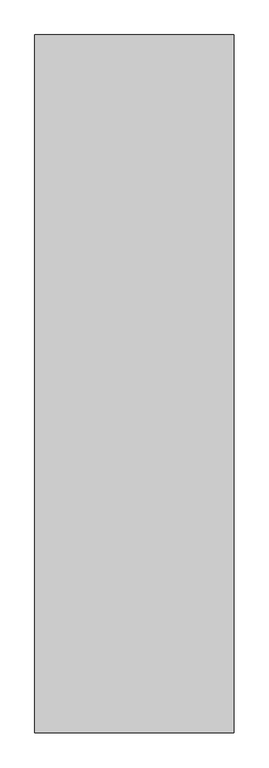
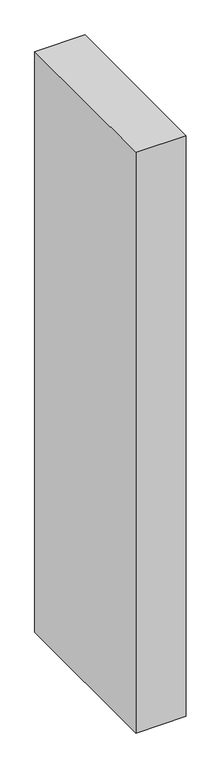
"""IFC4 building model written with IfcOpenShell, lengths in millimetres: proxy geometry."""

from ifc_helpers import new_model, si_unit, origin, origin_with_axes, place, context, project, spatial, polyline, outline, extrude, source, transform, mapped, element, save


def generic_models_6afa82e0(model_context):
    return source(origin(), model_context, "Body", "SweptSolid", [
        extrude(outline(polyline([(400.0, 1400.0), (400.0, 0.0), (0.0, 0.0), (0.0, 1400.0), (400.0, 1400.0)])), origin_with_axes(), (0.0, 0.0, 1.0), 4900.0),
    ])


if __name__ == "__main__":
    model = new_model("IFC4")
    model_context = context("Model", 3, world=origin())
    ifc_project = project(units=[si_unit("LENGTHUNIT", "METRE", prefix="MILLI")], contexts=[model_context])
    site = spatial("IfcSite", under=ifc_project)
    building = spatial("IfcBuilding", under=site)
    placement = place(None, origin())
    generic_models_shape = generic_models_6afa82e0(model_context)
    element("IfcBuildingElementProxy", 1, Name="Generic Models", at=placement, inside=building, context=model_context, shape_type="MappedRepresentation", body=[
        mapped(generic_models_shape, transform((0.0, 0.0, 0.0), x_axis=(1.0, 0.0, 0.0), y_axis=(0.0, 1.0, 0.0), z_axis=(0.0, 0.0, 1.0))),
    ])
    save(model, "model.ifc")
